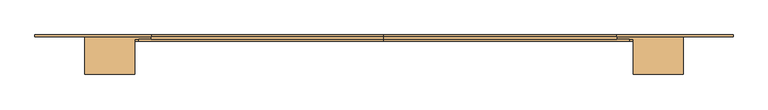
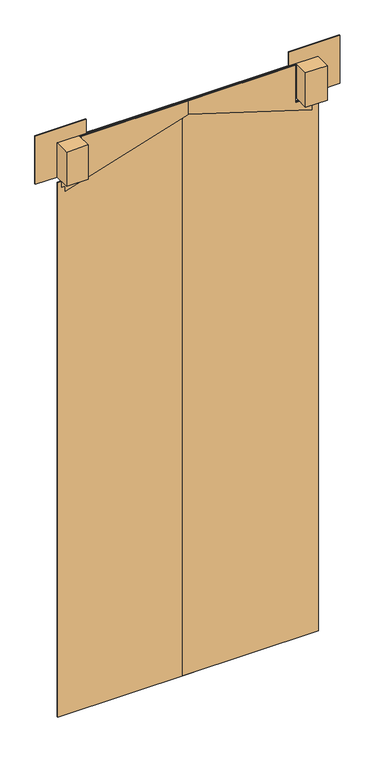
"""IFC4 building model written with IfcOpenShell, lengths in millimetres: door geometry."""

import ifcopenshell
import ifcopenshell.guid

model = None  # the IFC model being written
_history = None  # IfcOwnerHistory: only IFC2X3 demands one
_inside = {}  # id of a spatial element -> (the spatial element, [elements in it])
_under = {}  # id of a project, library or spatial element -> (it, [spatial elements below it])
_declared = {}  # id of a project -> (the project, [libraries it declares])
_typed = {}  # id of a type object -> (the type object, [elements of that type])
_made_of = {}  # id of a material, layer set ... -> (it, [elements and type objects made of it])


def new_model(schema):
    """Start an empty IFC model of exactly this schema.

    Asked for "IFC4X3", IfcOpenShell would pick the latest addendum, in which some entities
    have other attributes; the version numbers below select the first issue.
    IFC2X3 requires an IfcOwnerHistory on every rooted entity: one is made here for all.
    """
    global model, _history
    if schema == "IFC4X3":
        model = ifcopenshell.file(schema_version=(4, 3, 0, 0))
    else:
        model = ifcopenshell.file(schema=schema)
    _inside.clear()
    _under.clear()
    _declared.clear()
    _typed.clear()
    _made_of.clear()
    _history = None
    if model.schema == "IFC2X3":
        org = make("IfcOrganization", Name="unknown")
        user = make(
            "IfcPersonAndOrganization",
            ThePerson=make("IfcPerson", FamilyName="unknown"),
            TheOrganization=org,
        )
        app = make(
            "IfcApplication",
            ApplicationDeveloper=org,
            Version="unknown",
            ApplicationFullName="unknown",
            ApplicationIdentifier="unknown",
        )
        _history = make(
            "IfcOwnerHistory",
            OwningUser=user,
            OwningApplication=app,
            ChangeAction="ADDED",
            CreationDate=0,
        )
    return model


def make(cls, **values):
    """One entity of the class cls with the attributes given. An attribute that is None is left unset."""
    return model.create_entity(
        cls, **{name: value for name, value in values.items() if value is not None}
    )


def rooted(cls, **values):
    """An entity with a GlobalId (a new one), such as an element, a storey or a relation."""
    return make(cls, GlobalId=ifcopenshell.guid.new(), OwnerHistory=_history, **values)


def si_unit(unit_type, name, prefix=None):
    """IfcSIUnit, for example si_unit("LENGTHUNIT", "METRE", prefix="MILLI")."""
    return make("IfcSIUnit", UnitType=unit_type, Prefix=prefix, Name=name)


def assignment(units):
    """IfcUnitAssignment: the units of a project."""
    return None if units is None else make("IfcUnitAssignment", Units=units)


def point(xyz):
    """IfcCartesianPoint."""
    return None if xyz is None else make("IfcCartesianPoint", Coordinates=xyz)


def direction(xyz):
    """IfcDirection."""
    return None if xyz is None else make("IfcDirection", DirectionRatios=xyz)


def frame(location, z_axis=None, x_axis=None):
    """IfcAxis2Placement3D, a coordinate frame: its origin and axes. An axis left out is left unset."""
    return make(
        "IfcAxis2Placement3D",
        Location=point(location),
        Axis=direction(z_axis),
        RefDirection=direction(x_axis),
    )


def frame_2d(location, x_axis=None):
    """IfcAxis2Placement2D, a coordinate frame in the plane: its origin and x axis."""
    return make(
        "IfcAxis2Placement2D", Location=point(location), RefDirection=direction(x_axis)
    )


def origin():
    """The frame at (0, 0, 0) with its axes left unset."""
    return frame((0.0, 0.0, 0.0))


def place(relative_to, where):
    """IfcLocalPlacement: puts the frame where relative to a parent placement (None: the world)."""
    return make(
        "IfcLocalPlacement", PlacementRelTo=relative_to, RelativePlacement=where
    )


def context(
    kind, dimensions, precision=None, world=None, true_north=None, identifier=None
):
    """IfcGeometricRepresentationContext, for example the 3D "Model" context."""
    return make(
        "IfcGeometricRepresentationContext",
        ContextIdentifier=identifier,
        ContextType=kind,
        CoordinateSpaceDimension=dimensions,
        Precision=precision,
        WorldCoordinateSystem=world,
        TrueNorth=true_north,
    )


def project(units=None, contexts=None):
    """IfcProject with its units and contexts."""
    return rooted(
        "IfcProject",
        Name="project",
        RepresentationContexts=contexts,
        UnitsInContext=assignment(units),
    )


def spatial(cls, under=None, at=None, **own):
    """A site, building, storey or space (cls), placed at a placement, below another one or the project."""
    s = rooted(cls, ObjectPlacement=at, **own)
    if under is not None:
        _under.setdefault(under.id(), (under, []))[1].append(s)
    return s


def polyline(points):
    """IfcPolyline through the points."""
    return make("IfcPolyline", Points=[point(p) for p in points])


def circle_curve(where, radius):
    """IfcCircle in the frame where."""
    return make("IfcCircle", Position=where, Radius=radius)


def trimmed(basis, trim1, trim2, sense, master):
    """IfcTrimmedCurve: the piece of a basis curve between two trims."""
    return make(
        "IfcTrimmedCurve",
        BasisCurve=basis,
        Trim1=trim1,
        Trim2=trim2,
        SenseAgreement=sense,
        MasterRepresentation=master,
    )


def segment(curve, same_sense, transition):
    """IfcCompositeCurveSegment."""
    return make(
        "IfcCompositeCurveSegment",
        Transition=transition,
        SameSense=same_sense,
        ParentCurve=curve,
    )


def composite_curve(segments, self_intersect=None):
    """IfcCompositeCurve: segments joined end to end."""
    return make("IfcCompositeCurve", Segments=segments, SelfIntersect=self_intersect)


def outline(outer, holes=None, kind="AREA"):
    """IfcArbitraryClosedProfileDef: a profile drawn as a closed curve; with holes, ...WithVoids."""
    if holes is None:
        return make("IfcArbitraryClosedProfileDef", ProfileType=kind, OuterCurve=outer)
    return make(
        "IfcArbitraryProfileDefWithVoids",
        ProfileType=kind,
        OuterCurve=outer,
        InnerCurves=holes,
    )


def extrude(swept, where, along, depth):
    """IfcExtrudedAreaSolid: the profile swept, set in the frame where, extruded along a direction by depth."""
    return make(
        "IfcExtrudedAreaSolid",
        SweptArea=swept,
        Position=where,
        ExtrudedDirection=direction(along),
        Depth=depth,
    )


def shape(context_of_items, identifier, shape_type, items):
    """IfcShapeRepresentation: the items that make up one representation, for example the "Body"."""
    return make(
        "IfcShapeRepresentation",
        ContextOfItems=context_of_items,
        RepresentationIdentifier=identifier,
        RepresentationType=shape_type,
        Items=items,
    )


def source(mapping_origin, context_of_items, identifier, shape_type, items):
    """IfcRepresentationMap: a shape defined once, which mapped items show again and again."""
    return make(
        "IfcRepresentationMap",
        MappingOrigin=mapping_origin,
        MappedRepresentation=shape(context_of_items, identifier, shape_type, items),
    )


def transform(
    local_origin,
    x_axis=None,
    y_axis=None,
    z_axis=None,
    scale=None,
    scale2=None,
    scale3=None,
    uniform=True,
):
    """IfcCartesianTransformationOperator3D, or its non-uniform kind. x_axis, y_axis, z_axis: its Axis1, 2, 3."""
    if uniform:
        return make(
            "IfcCartesianTransformationOperator3D",
            Axis1=direction(x_axis),
            Axis2=direction(y_axis),
            LocalOrigin=point(local_origin),
            Scale=scale,
            Axis3=direction(z_axis),
        )
    return make(
        "IfcCartesianTransformationOperator3DnonUniform",
        Axis1=direction(x_axis),
        Axis2=direction(y_axis),
        LocalOrigin=point(local_origin),
        Scale=scale,
        Axis3=direction(z_axis),
        Scale2=scale2,
        Scale3=scale3,
    )


def mapped(mapping_source, mapping_target):
    """IfcMappedItem: shows the shape of a source again, moved by a transform."""
    return make(
        "IfcMappedItem", MappingSource=mapping_source, MappingTarget=mapping_target
    )


def made_of(thing, what):
    """Note that an element or type object is made of a material, layer set ...; save() writes the relation."""
    if what is not None:
        _made_of.setdefault(what.id(), (what, []))[1].append(thing)
    return thing


def element(
    cls,
    number,
    at=None,
    inside=None,
    cuts=None,
    type_object=None,
    material=None,
    context=None,
    identifier="Body",
    shape_type=None,
    held_by="IfcProductDefinitionShape",
    body=None,
    shapes=None,
    **own,
):
    """One element of the class cls, such as IfcWall. Its Tag is "e" and its number.

    at: its placement. inside: the storey or other place that contains it. cuts: it is an
    opening in that element (IfcRelVoidsElement). A single representation is given by context,
    identifier, shape_type and body (its items); several are given by shapes. held_by: the class
    of the entity that holds the representations. save() writes the other relations.
    """
    e = rooted(cls, Tag="e%d" % number, ObjectPlacement=at, **own)
    if body is not None:
        shapes = [shape(context, identifier, shape_type, body)]
    if shapes is not None:
        e.Representation = make(held_by, Representations=shapes)
    if inside is not None:
        _inside.setdefault(inside.id(), (inside, []))[1].append(e)
    if cuts is not None:
        rooted(
            "IfcRelVoidsElement", RelatingBuildingElement=cuts, RelatedOpeningElement=e
        )
    if type_object is not None:
        _typed.setdefault(type_object.id(), (type_object, []))[1].append(e)
    return made_of(e, material)


def aggregate(whole, parts):
    """IfcRelAggregates: a whole, such as a stair, and the parts it consists of."""
    return rooted("IfcRelAggregates", RelatingObject=whole, RelatedObjects=parts)


def save(model, path):
    """Write the relations noted so far, then the file.

    IfcRelAggregates (storeys below a building ...), IfcRelContainedInSpatialStructure (elements
    in a storey), IfcRelDefinesByType, IfcRelAssociatesMaterial and IfcRelDeclares: one each for
    every whole, place, type object, material and project.
    """
    for whole, parts in _under.values():
        aggregate(whole, parts)
    for where, things in _inside.values():
        rooted(
            "IfcRelContainedInSpatialStructure",
            RelatedElements=things,
            RelatingStructure=where,
        )
    for kind, things in _typed.values():
        rooted("IfcRelDefinesByType", RelatedObjects=things, RelatingType=kind)
    for what, things in _made_of.values():
        rooted("IfcRelAssociatesMaterial", RelatedObjects=things, RelatingMaterial=what)
    for by, libraries in _declared.values():
        rooted("IfcRelDeclares", RelatingContext=by, RelatedDefinitions=libraries)
    model.write(path)


def door_0b23d71f(model_context):
    return source(origin(), model_context, "Body", "SweptSolid", [
        extrude(outline(polyline([(1997.075, 2166.2906968), (2174.875, 2166.2906968), (2174.875, 1988.4906968), (2124.075, 1988.4906968), (2124.075, 2090.0906968), (1997.075, 2090.0906968), (1997.075, 2166.2906968)])), frame((0.0, -942.0160438, 0.0), z_axis=(0.0, 1.0, 0.0), x_axis=(0.0, 0.0, 1.0)), (0.0, 0.0, 1.0), 3.175),
        extrude(outline(composite_curve([segment(polyline([(1978.025, 1988.4906968), (2124.075, 1988.4906968), (2124.075, 1632.8906968), (2073.6815908, 1632.8906968)]), True, "CONTINUOUS"), segment(trimmed(circle_curve(frame_2d((2055.4003256, 1632.1374726)), 18.2967758), [point((2073.6815908, 1632.8906968))], [point((2055.4003256, 1613.8406968))], False, "CARTESIAN"), True, "CONTINUOUS"), segment(polyline([(2055.4003256, 1613.8406968), (0.0, 1613.8406968), (0.0, 2090.0906968), (1978.025, 2090.0906968), (1978.025, 1988.4906968)]), True, "CONTINUOUS")], self_intersect=False)), frame((0.0, -945.1910438, 0.0), z_axis=(0.0, 1.0, 0.0), x_axis=(0.0, 0.0, 1.0)), (0.0, 0.0, 1.0), 3.175),
        extrude(outline(polyline([(1984.375, 2077.3906968), (1984.375, 2007.5406968), (2124.075, 2007.5406968), (2124.075, 1632.8906968), (2073.275, 1632.8906968), (1939.925, 2064.6906968), (1958.975, 2064.6906968), (1958.975, 2077.3906968), (1984.375, 2077.3906968)])), frame((0.0, -942.0160438, 0.0), z_axis=(0.0, 1.0, 0.0), x_axis=(0.0, 0.0, 1.0)), (0.0, 0.0, 1.0), 3.175),
        extrude(outline(polyline([(1984.375, 2077.3906968), (1984.375, 2007.5406968), (2124.075, 2007.5406968), (2124.075, 1632.8906968), (2073.275, 1632.8906968), (1939.925, 2064.6906968), (1958.975, 2064.6906968), (1958.975, 2077.3906968), (1984.375, 2077.3906968)])), frame((0.0, -948.3660438, 0.0), z_axis=(0.0, 1.0, 0.0), x_axis=(0.0, 0.0, 1.0)), (0.0, 0.0, 1.0), 3.175),
        extrude(outline(polyline([(2090.0906968, -942.0160438), (2090.0906968, -999.1660438), (2013.8906968, -999.1660438), (2013.8906968, -945.1910438), (1988.4906968, -945.1910438), (1988.4906968, -942.0160438), (2090.0906968, -942.0160438)])), frame((0.0, 0.0, 1997.075), z_axis=(0.0, 0.0, 1.0), x_axis=(1.0, 0.0, 0.0)), (0.0, 0.0, 1.0), 127.0),
        extrude(outline(polyline([(1997.075, 1099.4906968), (1997.075, 1175.6906968), (2124.075, 1175.6906968), (2124.075, 1277.2906968), (2174.875, 1277.2906968), (2174.875, 1099.4906968), (1997.075, 1099.4906968)])), frame((0.0, -942.0160438, 0.0), z_axis=(0.0, 1.0, 0.0), x_axis=(0.0, 0.0, 1.0)), (0.0, 0.0, 1.0), 3.175),
        extrude(outline(composite_curve([segment(polyline([(1978.025, 1277.2906968), (1978.025, 1175.6906968), (0.0, 1175.6906968), (0.0, 1651.9406968), (2055.4003256, 1651.9406968)]), True, "CONTINUOUS"), segment(trimmed(circle_curve(frame_2d((2055.4003256, 1633.643921)), 18.2967758), [point((2055.4003256, 1651.9406968))], [point((2073.6815908, 1632.8906968))], False, "CARTESIAN"), True, "CONTINUOUS"), segment(polyline([(2073.6815908, 1632.8906968), (2124.075, 1632.8906968), (2124.075, 1277.2906968), (1978.025, 1277.2906968)]), True, "CONTINUOUS")], self_intersect=False)), frame((0.0, -945.1910438, 0.0), z_axis=(0.0, 1.0, 0.0), x_axis=(0.0, 0.0, 1.0)), (0.0, 0.0, 1.0), 3.175),
        extrude(outline(polyline([(1984.375, 1188.3906968), (1958.975, 1188.3906968), (1958.975, 1201.0906968), (1939.925, 1201.0906968), (2073.275, 1632.8906968), (2124.075, 1632.8906968), (2124.075, 1258.2406968), (1984.375, 1258.2406968), (1984.375, 1188.3906968)])), frame((0.0, -942.0160438, 0.0), z_axis=(0.0, 1.0, 0.0), x_axis=(0.0, 0.0, 1.0)), (0.0, 0.0, 1.0), 3.175),
        extrude(outline(polyline([(1984.375, 1188.3906968), (1958.975, 1188.3906968), (1958.975, 1201.0906968), (1939.925, 1201.0906968), (2073.275, 1632.8906968), (2124.075, 1632.8906968), (2124.075, 1258.2406968), (1984.375, 1258.2406968), (1984.375, 1188.3906968)])), frame((0.0, -948.3660438, 0.0), z_axis=(0.0, 1.0, 0.0), x_axis=(0.0, 0.0, 1.0)), (0.0, 0.0, 1.0), 3.175),
        extrude(outline(polyline([(1175.6906968, -942.0160438), (1277.2906968, -942.0160438), (1277.2906968, -945.1910438), (1251.8906968, -945.1910438), (1251.8906968, -999.1660438), (1175.6906968, -999.1660438), (1175.6906968, -942.0160438)])), frame((0.0, 0.0, 1997.075), z_axis=(0.0, 0.0, 1.0), x_axis=(1.0, 0.0, 0.0)), (0.0, 0.0, 1.0), 127.0),
    ])


if __name__ == "__main__":
    model = new_model("IFC4")
    model_context = context("Model", 3, world=origin())
    ifc_project = project(units=[si_unit("LENGTHUNIT", "METRE", prefix="MILLI")], contexts=[model_context])
    site = spatial("IfcSite", under=ifc_project)
    building = spatial("IfcBuilding", under=site)
    placement = place(None, origin())
    door_shape = door_0b23d71f(model_context)
    element("IfcDoor", 1, at=placement, inside=building, context=model_context, shape_type="MappedRepresentation", body=[
        mapped(door_shape, transform((0.0, 0.0, 0.0), x_axis=(1.0, 0.0, 0.0), y_axis=(0.0, 1.0, 0.0), z_axis=(0.0, 0.0, 1.0))),
    ])
    save(model, "model.ifc")
